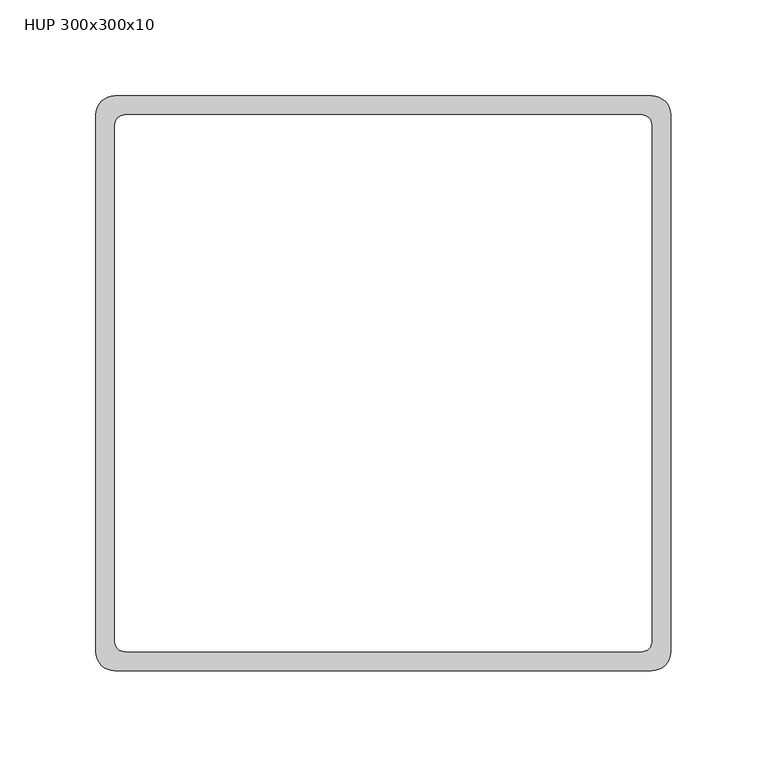
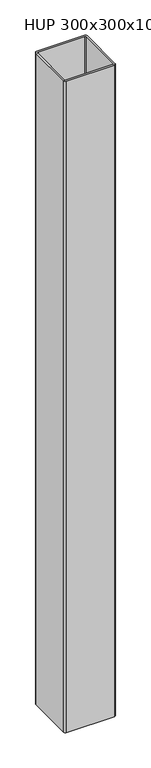
"""IFC4 building model written with IfcOpenShell, lengths in millimetres: column geometry, HUP 300x300x10."""

from ifc_helpers import new_model, si_unit, point, frame_2d, origin, origin_with_axes, place, context, project, spatial, polyline, circle_curve, trimmed, segment, composite_curve, outline, extrude, source, transform, mapped, element, save


def hup_300x300x10_7f312ddb(model_context):
    return source(origin(), model_context, "Body", "SweptSolid", [
        extrude(outline(composite_curve([segment(trimmed(circle_curve(frame_2d((-140.0, 140.0)), 10.0), [point((-150.0, 140.0))], [point((-140.0, 150.0))], False, "CARTESIAN"), True, "CONTINUOUS"), segment(polyline([(-140.0, 150.0), (140.0, 150.0)]), True, "CONTINUOUS"), segment(trimmed(circle_curve(frame_2d((140.0, 140.0)), 10.0), [point((140.0, 150.0))], [point((150.0, 140.0))], False, "CARTESIAN"), True, "CONTINUOUS"), segment(polyline([(150.0, 140.0), (150.0, -140.0)]), True, "CONTINUOUS"), segment(trimmed(circle_curve(frame_2d((140.0, -140.0)), 10.0), [point((150.0, -140.0))], [point((140.0, -150.0))], False, "CARTESIAN"), True, "CONTINUOUS"), segment(polyline([(140.0, -150.0), (-140.0, -150.0)]), True, "CONTINUOUS"), segment(trimmed(circle_curve(frame_2d((-140.0, -140.0)), 10.0), [point((-140.0, -150.0))], [point((-150.0, -140.0))], False, "CARTESIAN"), True, "CONTINUOUS"), segment(polyline([(-150.0, -140.0), (-150.0, 140.0)]), True, "CONTINUOUS")], self_intersect=False), holes=[composite_curve([segment(trimmed(circle_curve(frame_2d((135.0, -135.0)), 5.0), [point((135.0, -140.0))], [point((140.0, -135.0))], True, "CARTESIAN"), True, "CONTINUOUS"), segment(polyline([(140.0, -135.0), (140.0, 135.0)]), True, "CONTINUOUS"), segment(trimmed(circle_curve(frame_2d((135.0, 135.0)), 5.0), [point((140.0, 135.0))], [point((135.0, 140.0))], True, "CARTESIAN"), True, "CONTINUOUS"), segment(polyline([(135.0, 140.0), (-135.0, 140.0)]), True, "CONTINUOUS"), segment(trimmed(circle_curve(frame_2d((-135.0, 135.0)), 5.0), [point((-135.0, 140.0))], [point((-140.0, 135.0))], True, "CARTESIAN"), True, "CONTINUOUS"), segment(polyline([(-140.0, 135.0), (-140.0, -135.0)]), True, "CONTINUOUS"), segment(trimmed(circle_curve(frame_2d((-135.0, -135.0)), 5.0), [point((-140.0, -135.0))], [point((-135.0, -140.0))], True, "CARTESIAN"), True, "CONTINUOUS"), segment(polyline([(-135.0, -140.0), (135.0, -140.0)]), True, "CONTINUOUS")], self_intersect=False)]), origin_with_axes(), (0.0, 0.0, 1.0), 4000.0),
    ])


if __name__ == "__main__":
    model = new_model("IFC4")
    model_context = context("Model", 3, world=origin())
    ifc_project = project(units=[si_unit("LENGTHUNIT", "METRE", prefix="MILLI")], contexts=[model_context])
    site = spatial("IfcSite", under=ifc_project)
    building = spatial("IfcBuilding", under=site)
    placement = place(None, origin())
    hup_300x300x10_shape = hup_300x300x10_7f312ddb(model_context)
    element("IfcColumn", 1, ObjectType="HUP 300x300x10", at=placement, inside=building, context=model_context, shape_type="MappedRepresentation", body=[
        mapped(hup_300x300x10_shape, transform((0.0, 0.0, 0.0), x_axis=(1.0, 0.0, 0.0), y_axis=(0.0, 1.0, 0.0), z_axis=(0.0, 0.0, 1.0))),
    ])
    save(model, "model.ifc")
